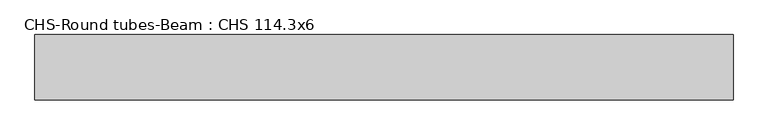
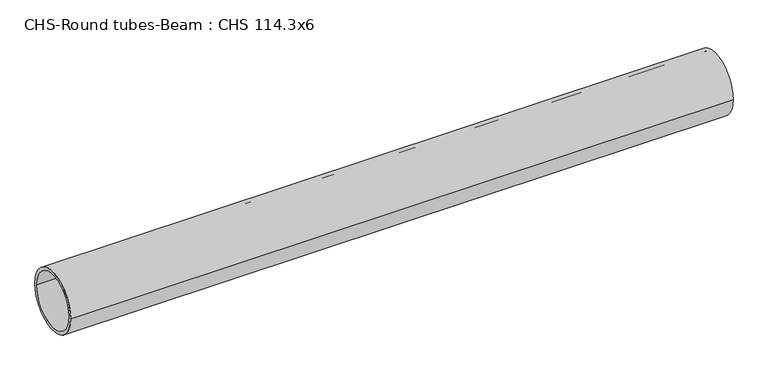
"""IFC4 building model written with IfcOpenShell, lengths in millimetres: beam geometry, CHS-Round tubes-Beam : CHS 114.3x6."""

from ifc_helpers import new_model, si_unit, point, frame, origin, origin_2d, place, context, project, spatial, circle_curve, trimmed, segment, composite_curve, outline, extrude, source, transform, mapped, element, save


def chs_round_tubes_beam_chs_114_3x6_4885f58f(model_context):
    return source(origin(), model_context, "Body", "SweptSolid", [
        extrude(outline(composite_curve([segment(trimmed(circle_curve(origin_2d(), 57.15), [point((57.15, 0.0))], [point((-57.15, 0.0))], False, "CARTESIAN"), True, "CONTINUOUS"), segment(trimmed(circle_curve(origin_2d(), 57.15), [point((-57.15, 0.0))], [point((57.15, 0.0))], False, "CARTESIAN"), True, "CONTINUOUS")], self_intersect=False), holes=[composite_curve([segment(trimmed(circle_curve(origin_2d(), 51.15), [point((51.15, 0.0))], [point((-51.15, 0.0))], True, "CARTESIAN"), True, "CONTINUOUS"), segment(trimmed(circle_curve(origin_2d(), 51.15), [point((-51.15, 0.0))], [point((51.15, 0.0))], True, "CARTESIAN"), True, "CONTINUOUS")], self_intersect=False)]), frame((-634.4959113, 0.0, 0.0), z_axis=(1.0, 0.0, 0.0), x_axis=(0.0, 1.0, 0.0)), (0.0, 0.0, 1.0), 1222.6536722),
    ])


if __name__ == "__main__":
    model = new_model("IFC4")
    model_context = context("Model", 3, world=origin())
    ifc_project = project(units=[si_unit("LENGTHUNIT", "METRE", prefix="MILLI")], contexts=[model_context])
    site = spatial("IfcSite", under=ifc_project)
    building = spatial("IfcBuilding", under=site)
    placement = place(None, origin())
    chs_round_tubes_beam_chs_114_3x6_shape = chs_round_tubes_beam_chs_114_3x6_4885f58f(model_context)
    element("IfcBeam", 1, ObjectType="CHS-Round tubes-Beam : CHS 114.3x6", at=placement, inside=building, context=model_context, shape_type="MappedRepresentation", body=[
        mapped(chs_round_tubes_beam_chs_114_3x6_shape, transform((0.0, 0.0, 0.0), x_axis=(1.0, 0.0, 0.0), y_axis=(0.0, 1.0, 0.0), z_axis=(0.0, 0.0, 1.0))),
    ])
    save(model, "model.ifc")
